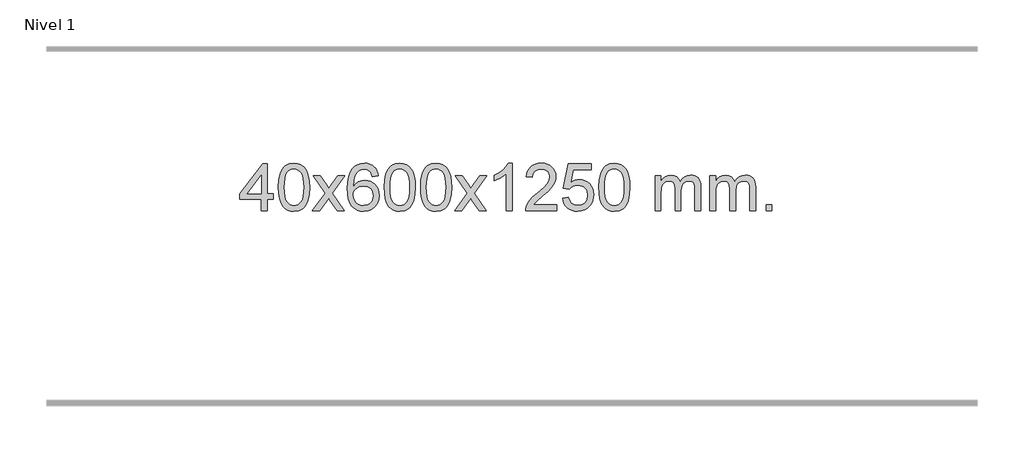
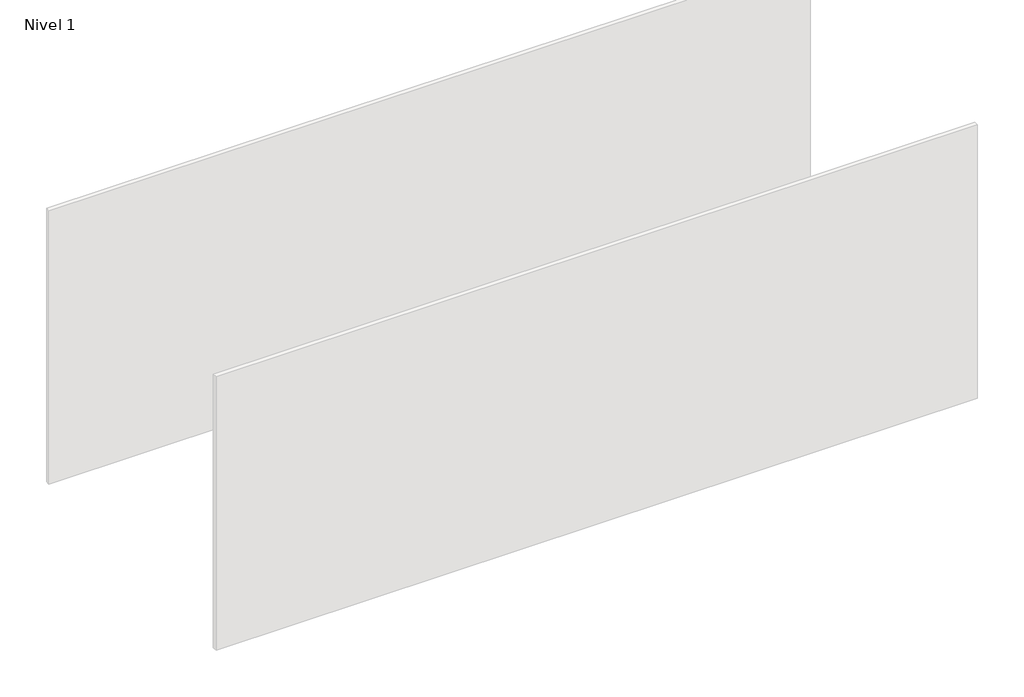
# One storey, part 6 of 6: 1 proxy.
"""IFC4 building model written with IfcOpenShell, lengths in millimetres."""

import ifcopenshell
import ifcopenshell.guid

model = None  # the IFC model being written
_history = None  # IfcOwnerHistory: only IFC2X3 demands one
_inside = {}  # id of a spatial element -> (the spatial element, [elements in it])
_under = {}  # id of a project, library or spatial element -> (it, [spatial elements below it])
_declared = {}  # id of a project -> (the project, [libraries it declares])
_typed = {}  # id of a type object -> (the type object, [elements of that type])
_made_of = {}  # id of a material, layer set ... -> (it, [elements and type objects made of it])


def new_model(schema):
    """Start an empty IFC model of exactly this schema.

    Asked for "IFC4X3", IfcOpenShell would pick the latest addendum, in which some entities
    have other attributes; the version numbers below select the first issue.
    IFC2X3 requires an IfcOwnerHistory on every rooted entity: one is made here for all.
    """
    global model, _history
    if schema == "IFC4X3":
        model = ifcopenshell.file(schema_version=(4, 3, 0, 0))
    else:
        model = ifcopenshell.file(schema=schema)
    _inside.clear()
    _under.clear()
    _declared.clear()
    _typed.clear()
    _made_of.clear()
    _history = None
    if model.schema == "IFC2X3":
        org = make("IfcOrganization", Name="unknown")
        user = make(
            "IfcPersonAndOrganization",
            ThePerson=make("IfcPerson", FamilyName="unknown"),
            TheOrganization=org,
        )
        app = make(
            "IfcApplication",
            ApplicationDeveloper=org,
            Version="unknown",
            ApplicationFullName="unknown",
            ApplicationIdentifier="unknown",
        )
        _history = make(
            "IfcOwnerHistory",
            OwningUser=user,
            OwningApplication=app,
            ChangeAction="ADDED",
            CreationDate=0,
        )
    return model


def make(cls, **values):
    """One entity of the class cls with the attributes given. An attribute that is None is left unset."""
    return model.create_entity(
        cls, **{name: value for name, value in values.items() if value is not None}
    )


def rooted(cls, **values):
    """An entity with a GlobalId (a new one), such as an element, a storey or a relation."""
    return make(cls, GlobalId=ifcopenshell.guid.new(), OwnerHistory=_history, **values)


def si_unit(unit_type, name, prefix=None):
    """IfcSIUnit, for example si_unit("LENGTHUNIT", "METRE", prefix="MILLI")."""
    return make("IfcSIUnit", UnitType=unit_type, Prefix=prefix, Name=name)


def assignment(units):
    """IfcUnitAssignment: the units of a project."""
    return None if units is None else make("IfcUnitAssignment", Units=units)


def point(xyz):
    """IfcCartesianPoint."""
    return None if xyz is None else make("IfcCartesianPoint", Coordinates=xyz)


def direction(xyz):
    """IfcDirection."""
    return None if xyz is None else make("IfcDirection", DirectionRatios=xyz)


def frame(location, z_axis=None, x_axis=None):
    """IfcAxis2Placement3D, a coordinate frame: its origin and axes. An axis left out is left unset."""
    return make(
        "IfcAxis2Placement3D",
        Location=point(location),
        Axis=direction(z_axis),
        RefDirection=direction(x_axis),
    )


def origin():
    """The frame at (0, 0, 0) with its axes left unset."""
    return frame((0.0, 0.0, 0.0))


def origin_with_axes():
    """The frame at (0, 0, 0) with the z axis (0, 0, 1) and the x axis (1, 0, 0) written out."""
    return frame((0.0, 0.0, 0.0), z_axis=(0.0, 0.0, 1.0), x_axis=(1.0, 0.0, 0.0))


def place(relative_to, where):
    """IfcLocalPlacement: puts the frame where relative to a parent placement (None: the world)."""
    return make(
        "IfcLocalPlacement", PlacementRelTo=relative_to, RelativePlacement=where
    )


def context(
    kind, dimensions, precision=None, world=None, true_north=None, identifier=None
):
    """IfcGeometricRepresentationContext, for example the 3D "Model" context."""
    return make(
        "IfcGeometricRepresentationContext",
        ContextIdentifier=identifier,
        ContextType=kind,
        CoordinateSpaceDimension=dimensions,
        Precision=precision,
        WorldCoordinateSystem=world,
        TrueNorth=true_north,
    )


def project(units=None, contexts=None):
    """IfcProject with its units and contexts."""
    return rooted(
        "IfcProject",
        Name="project",
        RepresentationContexts=contexts,
        UnitsInContext=assignment(units),
    )


def spatial(cls, under=None, at=None, **own):
    """A site, building, storey or space (cls), placed at a placement, below another one or the project."""
    s = rooted(cls, ObjectPlacement=at, **own)
    if under is not None:
        _under.setdefault(under.id(), (under, []))[1].append(s)
    return s


def polyline(points):
    """IfcPolyline through the points."""
    return make("IfcPolyline", Points=[point(p) for p in points])


def outline(outer, holes=None, kind="AREA"):
    """IfcArbitraryClosedProfileDef: a profile drawn as a closed curve; with holes, ...WithVoids."""
    if holes is None:
        return make("IfcArbitraryClosedProfileDef", ProfileType=kind, OuterCurve=outer)
    return make(
        "IfcArbitraryProfileDefWithVoids",
        ProfileType=kind,
        OuterCurve=outer,
        InnerCurves=holes,
    )


def extrude(swept, where, along, depth):
    """IfcExtrudedAreaSolid: the profile swept, set in the frame where, extruded along a direction by depth."""
    return make(
        "IfcExtrudedAreaSolid",
        SweptArea=swept,
        Position=where,
        ExtrudedDirection=direction(along),
        Depth=depth,
    )


def shape(context_of_items, identifier, shape_type, items):
    """IfcShapeRepresentation: the items that make up one representation, for example the "Body"."""
    return make(
        "IfcShapeRepresentation",
        ContextOfItems=context_of_items,
        RepresentationIdentifier=identifier,
        RepresentationType=shape_type,
        Items=items,
    )


def made_of(thing, what):
    """Note that an element or type object is made of a material, layer set ...; save() writes the relation."""
    if what is not None:
        _made_of.setdefault(what.id(), (what, []))[1].append(thing)
    return thing


def element(
    cls,
    number,
    at=None,
    inside=None,
    cuts=None,
    type_object=None,
    material=None,
    context=None,
    identifier="Body",
    shape_type=None,
    held_by="IfcProductDefinitionShape",
    body=None,
    shapes=None,
    **own,
):
    """One element of the class cls, such as IfcWall. Its Tag is "e" and its number.

    at: its placement. inside: the storey or other place that contains it. cuts: it is an
    opening in that element (IfcRelVoidsElement). A single representation is given by context,
    identifier, shape_type and body (its items); several are given by shapes. held_by: the class
    of the entity that holds the representations. save() writes the other relations.
    """
    e = rooted(cls, Tag="e%d" % number, ObjectPlacement=at, **own)
    if body is not None:
        shapes = [shape(context, identifier, shape_type, body)]
    if shapes is not None:
        e.Representation = make(held_by, Representations=shapes)
    if inside is not None:
        _inside.setdefault(inside.id(), (inside, []))[1].append(e)
    if cuts is not None:
        rooted(
            "IfcRelVoidsElement", RelatingBuildingElement=cuts, RelatedOpeningElement=e
        )
    if type_object is not None:
        _typed.setdefault(type_object.id(), (type_object, []))[1].append(e)
    return made_of(e, material)


def aggregate(whole, parts):
    """IfcRelAggregates: a whole, such as a stair, and the parts it consists of."""
    return rooted("IfcRelAggregates", RelatingObject=whole, RelatedObjects=parts)


def save(model, path):
    """Write the relations noted so far, then the file.

    IfcRelAggregates (storeys below a building ...), IfcRelContainedInSpatialStructure (elements
    in a storey), IfcRelDefinesByType, IfcRelAssociatesMaterial and IfcRelDeclares: one each for
    every whole, place, type object, material and project.
    """
    for whole, parts in _under.values():
        aggregate(whole, parts)
    for where, things in _inside.values():
        rooted(
            "IfcRelContainedInSpatialStructure",
            RelatedElements=things,
            RelatingStructure=where,
        )
    for kind, things in _typed.values():
        rooted("IfcRelDefinesByType", RelatedObjects=things, RelatingType=kind)
    for what, things in _made_of.values():
        rooted("IfcRelAssociatesMaterial", RelatedObjects=things, RelatingMaterial=what)
    for by, libraries in _declared.values():
        rooted("IfcRelDeclares", RelatingContext=by, RelatedDefinitions=libraries)
    model.write(path)


model = new_model("IFC4")

# Units and contexts
model_context = context("Model", 3, world=origin())
ifc_project = project(units=[si_unit("LENGTHUNIT", "METRE", prefix="MILLI")], contexts=[model_context])

# Site, building, storey
site = spatial("IfcSite", under=ifc_project)
building = spatial("IfcBuilding", under=site)
storey = spatial("IfcBuildingStorey", under=building, Name="Nivel 1", Elevation=0.0)

# Proxy
placement = place(None, origin())
element("IfcBuildingElementProxy", 1, Name="Texto de modelo 1", ObjectType="Texto de modelo 1", at=placement, inside=storey, context=model_context, shape_type="SweptSolid", body=[
    extrude(outline(polyline([(-4707.6020619, 2608.420547), (-4707.6020619, 2702.5983378), (-4889.6791241, 2702.5983378), (-4889.6791241, 2752.8264928), (-4695.0450232, 3003.9672682), (-4657.3739068, 3003.9672682), (-4657.3739068, 2752.8264928), (-4607.1457518, 2752.8264928), (-4607.1457518, 2702.5983378), (-4657.3739068, 2702.5983378), (-4657.3739068, 2608.420547), (-4707.6020619, 2608.420547)]), holes=[polyline([(-4707.6020619, 2752.8264928), (-4707.6020619, 2908.0236439), (-4827.8749489, 2752.8264928), (-4707.6020619, 2752.8264928)])]), origin_with_axes(), (0.0, 0.0, 1.0), 10.0),
    extrude(outline(polyline([(-4563.1961161, 2806.0958057), (-4559.5050334, 2870.4138412), (-4548.4317853, 2921.7088541), (-4530.0867365, 2960.7656593), (-4518.2286735, 2975.9990395), (-4504.5802515, 2988.3690716), (-4489.0954852, 2997.9401349), (-4471.7283893, 3004.7766086), (-4431.347209, 3010.2457876), (-4400.3960705, 3007.008426), (-4372.6822935, 2997.2963414), (-4349.5057278, 2981.4896783), (-4332.1662231, 2959.9685816), (-4319.0696241, 2932.9169922), (-4308.6217754, 2900.5188512), (-4301.7791703, 2859.3773814), (-4299.4983019, 2806.0958057), (-4303.1525964, 2742.1456523), (-4314.1154799, 2690.9732667), (-4332.3501641, 2651.8796734), (-4344.1806359, 2636.6003078), (-4357.8198609, 2624.1658964), (-4373.3230213, 2614.5304538), (-4390.7452995, 2607.6479948), (-4431.347209, 2602.1420276), (-4459.011935, 2604.5332606), (-4483.5374014, 2611.7069595), (-4504.923608, 2623.6631243), (-4523.170555, 2640.4017551), (-4540.681738, 2670.6600492), (-4553.1897258, 2708.3618224), (-4560.6945185, 2753.5070745), (-4563.1961161, 2806.0958057)]), holes=[polyline([(-4512.967961, 2806.1939076), (-4511.496433, 2762.5293805), (-4507.0818491, 2727.1851178), (-4499.7242092, 2700.1611196), (-4489.4235133, 2681.4573858), (-4476.9645764, 2668.7317344), (-4463.1322134, 2659.6419835), (-4447.9264243, 2654.1881329), (-4431.347209, 2652.3701827), (-4414.7679938, 2654.1942643), (-4399.5622046, 2659.6665089), (-4385.7298416, 2668.7869167), (-4373.2709047, 2681.5554876), (-4362.9702088, 2700.2898783), (-4355.6125689, 2727.3077451), (-4351.197985, 2762.6090882), (-4349.726457, 2806.1939076), (-4351.1489341, 2848.7026722), (-4355.4163652, 2883.4246011), (-4362.5287504, 2910.3596945), (-4372.4860898, 2929.5079524), (-4384.7365602, 2942.8559375), (-4398.7283388, 2952.3902125), (-4414.4614254, 2958.1107775), (-4431.9358202, 2960.0176325), (-4448.4291963, 2958.3376381), (-4463.3774681, 2953.2976548), (-4476.7806354, 2944.8976825), (-4488.6386984, 2933.1377214), (-4499.2827508, 2912.291075), (-4506.8856454, 2884.1848906), (-4511.4473821, 2848.8191681), (-4512.967961, 2806.1939076)])]), origin_with_axes(), (0.0, 0.0, 1.0), 10.0),
    extrude(outline(polyline([(-4274.3842244, 2608.420547), (-4167.0607837, 2756.7505675), (-4268.105705, 2903.5109581), (-4207.6749559, 2903.5109581), (-4158.9183288, 2832.877615), (-4136.1586961, 2799.5229808), (-4116.4402211, 2826.7952993), (-4060.9145653, 2903.5109581), (-4000.4838163, 2903.5109581), (-4106.6300346, 2756.7505675), (-4004.4078909, 2608.420547), (-4064.8386399, 2608.420547), (-4126.3485095, 2697.5951426), (-4137.6302241, 2713.8800523), (-4213.9534753, 2608.420547), (-4274.3842244, 2608.420547)])), origin_with_axes(), (0.0, 0.0, 1.0), 10.0),
    extrude(outline(polyline([(-3715.5959992, 2903.5109581), (-3765.8241543, 2897.2324387), (-3773.9175582, 2922.125787), (-3784.8559162, 2939.1219352), (-3807.6400744, 2954.7937082), (-3835.1821731, 2960.0176325), (-3858.5304171, 2956.9764747), (-3880.5052349, 2947.8530012), (-3899.3775813, 2928.6372983), (-3914.7918368, 2902.1865829), (-3925.2028973, 2864.772984), (-3929.0656583, 2812.6686307), (-3908.9179877, 2836.1762902), (-3884.772666, 2852.7432427), (-3857.9785941, 2862.565692), (-3829.8846724, 2865.8398418), (-3805.7516135, 2863.601893), (-3783.48249, 2856.8880466), (-3763.077302, 2845.6983025), (-3744.5360495, 2830.0326609), (-3729.1279252, 2810.8230894), (-3718.1221222, 2789.0015557), (-3711.5186404, 2764.5680599), (-3709.3174798, 2737.5226018), (-3713.4622836, 2701.5560055), (-3725.8966951, 2668.213634), (-3745.5906445, 2639.9357713), (-3771.5140625, 2619.1627013), (-3802.4897265, 2606.397196), (-3837.3404141, 2602.1420276), (-3867.2829429, 2604.9624563), (-3894.3253352, 2613.4237421), (-3918.4675911, 2627.5258853), (-3939.7097107, 2647.2688857), (-3957.0277556, 2673.4866092), (-3969.3977877, 2707.0129217), (-3976.8198069, 2747.8478232), (-3979.2938133, 2795.9913136), (-3976.5469611, 2849.9657337), (-3968.3064044, 2896.0306908), (-3954.5721433, 2934.1861851), (-3935.3441776, 2964.4322165), (-3914.5036626, 2984.4756538), (-3890.3399469, 2998.7923948), (-3862.8530305, 3007.3824394), (-3832.0429134, 3010.2457876), (-3808.9092673, 3008.4738227), (-3787.9706504, 3003.1579278), (-3769.2270627, 2994.2981031), (-3752.6785043, 2981.8943485), (-3738.7725649, 2966.3635969), (-3727.9568342, 2948.1227814), (-3720.2313123, 2927.1719017), (-3715.5959992, 2903.5109581)]), holes=[polyline([(-3929.0656583, 2738.3074168), (-3926.1593905, 2716.0505561), (-3917.4405872, 2694.7992395), (-3903.9025298, 2676.527767), (-3886.5384996, 2663.2104388), (-3865.5814886, 2655.0802467), (-3841.2644887, 2652.3701827), (-3808.118321, 2657.9865145), (-3794.2031845, 2665.0069292), (-3782.060013, 2674.8355099), (-3772.2099726, 2687.0737176), (-3765.1742294, 2701.3230135), (-3759.5456349, 2735.8548701), (-3765.100653, 2769.0010379), (-3772.0444257, 2782.6218688), (-3781.7657074, 2794.274531), (-3793.9456671, 2803.6095366), (-3808.2654738, 2810.2773978), (-3843.3246279, 2815.6116867), (-3876.4217448, 2810.2773978), (-3904.0987335, 2794.274531), (-3915.0217631, 2782.7751529), (-3922.8239271, 2769.6141746), (-3927.5052255, 2754.7915958), (-3929.0656583, 2738.3074168)])]), origin_with_axes(), (0.0, 0.0, 1.0), 10.0),
    extrude(outline(polyline([(-3665.3678441, 2806.0958057), (-3661.6767614, 2870.4138412), (-3650.6035134, 2921.7088541), (-3632.2584646, 2960.7656593), (-3620.4004016, 2975.9990395), (-3606.7519796, 2988.3690716), (-3591.2672132, 2997.9401349), (-3573.9001174, 3004.7766086), (-3533.518937, 3010.2457876), (-3502.5677985, 3007.008426), (-3474.8540216, 2997.2963414), (-3451.6774559, 2981.4896783), (-3434.3379511, 2959.9685816), (-3421.2413521, 2932.9169922), (-3410.7935035, 2900.5188512), (-3403.9508983, 2859.3773814), (-3401.67003, 2806.0958057), (-3405.3243245, 2742.1456523), (-3416.2872079, 2690.9732667), (-3434.5218921, 2651.8796734), (-3446.352364, 2636.6003078), (-3459.9915889, 2624.1658964), (-3475.4947494, 2614.5304538), (-3492.9170275, 2607.6479948), (-3533.518937, 2602.1420276), (-3561.1836631, 2604.5332606), (-3585.7091294, 2611.7069595), (-3607.0953361, 2623.6631243), (-3625.342283, 2640.4017551), (-3642.853466, 2670.6600492), (-3655.3614539, 2708.3618224), (-3662.8662466, 2753.5070745), (-3665.3678441, 2806.0958057)]), holes=[polyline([(-3615.139689, 2806.1939076), (-3613.6681611, 2762.5293805), (-3609.2535771, 2727.1851178), (-3601.8959372, 2700.1611196), (-3591.5952414, 2681.4573858), (-3579.1363044, 2668.7317344), (-3565.3039414, 2659.6419835), (-3550.0981523, 2654.1881329), (-3533.518937, 2652.3701827), (-3516.9397218, 2654.1942643), (-3501.7339327, 2659.6665089), (-3487.9015696, 2668.7869167), (-3475.4426327, 2681.5554876), (-3465.1419369, 2700.2898783), (-3457.784297, 2727.3077451), (-3453.369713, 2762.6090882), (-3451.8981851, 2806.1939076), (-3453.3206621, 2848.7026722), (-3457.5880932, 2883.4246011), (-3464.7004785, 2910.3596945), (-3474.6578178, 2929.5079524), (-3486.9082883, 2942.8559375), (-3500.9000668, 2952.3902125), (-3516.6331535, 2958.1107775), (-3534.1075482, 2960.0176325), (-3550.6009244, 2958.3376381), (-3565.5491961, 2953.2976548), (-3578.9523635, 2944.8976825), (-3590.8104264, 2933.1377214), (-3601.4544788, 2912.291075), (-3609.0573734, 2884.1848906), (-3613.6191101, 2848.8191681), (-3615.139689, 2806.1939076)])]), origin_with_axes(), (0.0, 0.0, 1.0), 10.0),
    extrude(outline(polyline([(-3357.7203943, 2806.0958057), (-3354.0293116, 2870.4138412), (-3342.9560635, 2921.7088541), (-3324.6110147, 2960.7656593), (-3312.7529517, 2975.9990395), (-3299.1045297, 2988.3690716), (-3283.6197634, 2997.9401349), (-3266.2526676, 3004.7766086), (-3225.8714872, 3010.2457876), (-3194.9203487, 3007.008426), (-3167.2065717, 2997.2963414), (-3144.030006, 2981.4896783), (-3126.6905013, 2959.9685816), (-3113.5939023, 2932.9169922), (-3103.1460536, 2900.5188512), (-3096.3034485, 2859.3773814), (-3094.0225801, 2806.0958057), (-3097.6768746, 2742.1456523), (-3108.6397581, 2690.9732667), (-3126.8744423, 2651.8796734), (-3138.7049141, 2636.6003078), (-3152.3441391, 2624.1658964), (-3167.8472995, 2614.5304538), (-3185.2695777, 2607.6479948), (-3225.8714872, 2602.1420276), (-3253.5362133, 2604.5332606), (-3278.0616796, 2611.7069595), (-3299.4478862, 2623.6631243), (-3317.6948332, 2640.4017551), (-3335.2060162, 2670.6600492), (-3347.714004, 2708.3618224), (-3355.2187967, 2753.5070745), (-3357.7203943, 2806.0958057)]), holes=[polyline([(-3307.4922392, 2806.1939076), (-3306.0207112, 2762.5293805), (-3301.6061273, 2727.1851178), (-3294.2484874, 2700.1611196), (-3283.9477915, 2681.4573858), (-3271.4888546, 2668.7317344), (-3257.6564916, 2659.6419835), (-3242.4507025, 2654.1881329), (-3225.8714872, 2652.3701827), (-3209.292272, 2654.1942643), (-3194.0864828, 2659.6665089), (-3180.2541198, 2668.7869167), (-3167.7951829, 2681.5554876), (-3157.494487, 2700.2898783), (-3150.1368471, 2727.3077451), (-3145.7222632, 2762.6090882), (-3144.2507352, 2806.1939076), (-3145.6732123, 2848.7026722), (-3149.9406434, 2883.4246011), (-3157.0530287, 2910.3596945), (-3167.010368, 2929.5079524), (-3179.2608384, 2942.8559375), (-3193.252617, 2952.3902125), (-3208.9857036, 2958.1107775), (-3226.4600984, 2960.0176325), (-3242.9534745, 2958.3376381), (-3257.9017463, 2953.2976548), (-3271.3049136, 2944.8976825), (-3283.1629766, 2933.1377214), (-3293.807029, 2912.291075), (-3301.4099236, 2884.1848906), (-3305.9716603, 2848.8191681), (-3307.4922392, 2806.1939076)])]), origin_with_axes(), (0.0, 0.0, 1.0), 10.0),
    extrude(outline(polyline([(-3068.9085026, 2608.420547), (-2961.5850619, 2756.7505675), (-3062.6299832, 2903.5109581), (-3002.1992341, 2903.5109581), (-2953.4426071, 2832.877615), (-2930.6829743, 2799.5229808), (-2910.9644993, 2826.7952993), (-2855.4388435, 2903.5109581), (-2795.0080945, 2903.5109581), (-2901.1543128, 2756.7505675), (-2798.9321691, 2608.420547), (-2859.3629182, 2608.420547), (-2920.8727877, 2697.5951426), (-2932.1545023, 2713.8800523), (-3008.4777535, 2608.420547), (-3068.9085026, 2608.420547)])), origin_with_axes(), (0.0, 0.0, 1.0), 10.0),
    extrude(outline(polyline([(-2579.1839906, 2608.420547), (-2629.4121457, 2608.420547), (-2629.4121457, 2921.5617013), (-2650.3814194, 2904.6023413), (-2676.9915504, 2887.6675068), (-2729.8684559, 2862.3081746), (-2729.8684559, 2909.7894775), (-2690.4192432, 2931.2492605), (-2656.2430059, 2956.780271), (-2629.3017811, 2983.9299622), (-2611.5576062, 3010.2457876), (-2579.1839906, 3010.2457876), (-2579.1839906, 2608.420547)])), origin_with_axes(), (0.0, 0.0, 1.0), 10.0),
    extrude(outline(polyline([(-2202.4728276, 2658.6487021), (-2202.4728276, 2608.420547), (-2466.1706417, 2608.420547), (-2465.0669957, 2626.1034082), (-2460.7750391, 2643.0505055), (-2448.3896786, 2670.1143576), (-2430.265359, 2696.3688693), (-2404.0476355, 2723.8496544), (-2367.3820633, 2754.5923264), (-2313.1807826, 2802.7358169), (-2280.6600143, 2838.2732176), (-2264.3996301, 2867.115166), (-2258.979502, 2895.1722995), (-2264.0930618, 2920.3231653), (-2279.433741, 2941.2311253), (-2303.0149768, 2955.3210057), (-2332.8502067, 2960.0176325), (-2364.1814899, 2955.4313703), (-2388.5230153, 2941.6725837), (-2404.2315765, 2919.8203932), (-2409.6639672, 2890.9539193), (-2459.8921223, 2897.2324387), (-2455.5725746, 2923.161988), (-2447.7152283, 2945.8173875), (-2436.3200835, 2965.1986373), (-2421.3871402, 2981.3057373), (-2403.2597548, 2993.9670093), (-2382.2812841, 3003.010775), (-2358.4517278, 3008.4370345), (-2331.7710861, 3010.2457876), (-2304.8513211, 3008.2346994), (-2280.8930062, 3002.2014346), (-2259.8961413, 2992.1459934), (-2241.8607265, 2978.0683758), (-2227.375373, 2961.0109139), (-2217.0286918, 2942.0159402), (-2210.8206832, 2921.0834547), (-2208.7513469, 2898.2134573), (-2210.9831644, 2874.1907631), (-2217.6786167, 2850.5850017), (-2229.5612051, 2826.5745701), (-2247.354431, 2801.3378653), (-2275.7181328, 2771.2083299), (-2319.3121492, 2732.5194067), (-2377.0941479, 2684.204238), (-2399.7556788, 2658.6487021), (-2202.4728276, 2658.6487021)])), origin_with_axes(), (0.0, 0.0, 1.0), 10.0),
    extrude(outline(polyline([(-2152.2446725, 2715.1553765), (-2102.0165174, 2721.4338959), (-2092.7949421, 2691.2798351), (-2076.7062361, 2669.6851619), (-2053.823976, 2656.6989275), (-2024.2217382, 2652.3701827), (-2005.0918744, 2653.8754332), (-1988.2183536, 2658.3911847), (-1973.6011756, 2665.9174372), (-1961.2403406, 2676.4541906), (-1951.41176, 2689.480279), (-1944.3913452, 2704.4745359), (-1938.7750134, 2740.3675559), (-1944.035726, 2774.1636486), (-1950.6116166, 2788.0818507), (-1959.8178635, 2800.0134901), (-1971.6851236, 2809.5845533), (-1986.2440535, 2816.4210271), (-2023.4369232, 2821.8902061), (-2047.8029741, 2819.7074396), (-2067.5337117, 2813.1591401), (-2083.2913239, 2803.1282243), (-2095.737998, 2790.4976092), (-2145.9661531, 2796.7761285), (-2102.0165174, 3003.9672682), (-1907.3824165, 3003.9672682), (-1907.3824165, 2953.7391131), (-2061.4023451, 2953.7391131), (-2082.8866537, 2843.080209), (-2065.1608729, 2855.7844006), (-2047.0058964, 2864.8588231), (-2028.4217243, 2870.3034766), (-2009.4083565, 2872.1183612), (-1984.9472695, 2869.8681496), (-1962.4788766, 2863.117515), (-1942.0031779, 2851.8664573), (-1923.5201734, 2836.1149766), (-1908.219348, 2816.8256973), (-1897.2901871, 2794.961244), (-1890.7326905, 2770.5216168), (-1888.5468583, 2743.5068156), (-1890.515027, 2717.4852958), (-1896.419533, 2693.2786606), (-1906.2603764, 2670.8869098), (-1920.0375571, 2650.3100435), (-1940.908729, 2629.2365366), (-1965.2625171, 2614.1840316), (-1993.0989214, 2605.1525286), (-2024.4179419, 2602.1420276), (-2050.3382941, 2604.0764738), (-2073.7509175, 2609.8798123), (-2094.6558118, 2619.552043), (-2113.0529773, 2633.0931662), (-2128.359934, 2649.8287312), (-2139.9942021, 2669.084288), (-2147.9557816, 2690.8598364), (-2152.2446725, 2715.1553765)])), origin_with_axes(), (0.0, 0.0, 1.0), 10.0),
    extrude(outline(polyline([(-1844.5972227, 2806.0958057), (-1840.90614, 2870.4138412), (-1829.8328919, 2921.7088541), (-1811.4878431, 2960.7656593), (-1799.6297801, 2975.9990395), (-1785.9813581, 2988.3690716), (-1770.4965918, 2997.9401349), (-1753.1294959, 3004.7766086), (-1712.7483156, 3010.2457876), (-1681.7971771, 3007.008426), (-1654.0834001, 2997.2963414), (-1630.9068344, 2981.4896783), (-1613.5673297, 2959.9685816), (-1600.4707307, 2932.9169922), (-1590.022882, 2900.5188512), (-1583.1802769, 2859.3773814), (-1580.8994085, 2806.0958057), (-1584.553703, 2742.1456523), (-1595.5165865, 2690.9732667), (-1613.7512707, 2651.8796734), (-1625.5817425, 2636.6003078), (-1639.2209675, 2624.1658964), (-1654.7241279, 2614.5304538), (-1672.1464061, 2607.6479948), (-1712.7483156, 2602.1420276), (-1740.4130416, 2604.5332606), (-1764.938508, 2611.7069595), (-1786.3247146, 2623.6631243), (-1804.5716616, 2640.4017551), (-1822.0828446, 2670.6600492), (-1834.5908324, 2708.3618224), (-1842.0956251, 2753.5070745), (-1844.5972227, 2806.0958057)]), holes=[polyline([(-1794.3690676, 2806.1939076), (-1792.8975396, 2762.5293805), (-1788.4829557, 2727.1851178), (-1781.1253158, 2700.1611196), (-1770.8246199, 2681.4573858), (-1758.365683, 2668.7317344), (-1744.53332, 2659.6419835), (-1729.3275308, 2654.1881329), (-1712.7483156, 2652.3701827), (-1696.1691003, 2654.1942643), (-1680.9633112, 2659.6665089), (-1667.1309482, 2668.7869167), (-1654.6720113, 2681.5554876), (-1644.3713154, 2700.2898783), (-1637.0136755, 2727.3077451), (-1632.5990916, 2762.6090882), (-1631.1275636, 2806.1939076), (-1632.5500406, 2848.7026722), (-1636.8174718, 2883.4246011), (-1643.929857, 2910.3596945), (-1653.8871964, 2929.5079524), (-1666.1376668, 2942.8559375), (-1680.1294453, 2952.3902125), (-1695.862532, 2958.1107775), (-1713.3369268, 2960.0176325), (-1729.8303029, 2958.3376381), (-1744.7785746, 2953.2976548), (-1758.181742, 2944.8976825), (-1770.039805, 2933.1377214), (-1780.6838574, 2912.291075), (-1788.2867519, 2884.1848906), (-1792.8484887, 2848.8191681), (-1794.3690676, 2806.1939076)])]), origin_with_axes(), (0.0, 0.0, 1.0), 10.0),
    extrude(outline(polyline([(-1367.4297494, 2608.420547), (-1367.4297494, 2903.5109581), (-1317.2015944, 2903.5109581), (-1317.2015944, 2854.9505347), (-1302.0939071, 2877.2564463), (-1282.6697378, 2894.7308411), (-1259.5912739, 2906.0248184), (-1233.5207032, 2909.7894775), (-1205.586197, 2905.951242), (-1183.1944463, 2894.4365355), (-1166.4680782, 2876.0056476), (-1155.5297202, 2851.4188676), (-1137.2214596, 2876.9560094), (-1116.338025, 2895.196825), (-1092.8794164, 2906.1413143), (-1066.8456339, 2909.7894775), (-1046.7378172, 2908.2719642), (-1029.0886785, 2903.7194245), (-1013.8982178, 2896.1318584), (-1001.166435, 2885.5092658), (-991.1017968, 2871.7290194), (-983.9127695, 2854.6684918), (-979.5993531, 2834.3276832), (-978.1615476, 2810.7065934), (-978.1615476, 2608.420547), (-1028.3897027, 2608.420547), (-1028.3897027, 2789.124183), (-1029.5546623, 2814.1769469), (-1033.0495413, 2831.0627305), (-1039.5978408, 2842.6264879), (-1049.9230621, 2851.7131732), (-1063.2036022, 2857.5992851), (-1078.6178578, 2859.5613224), (-1105.8288627, 2854.5336018), (-1128.012147, 2839.45044), (-1136.61752, 2827.8805512), (-1142.764215, 2813.2817674), (-1147.681571, 2774.9975144), (-1147.681571, 2608.420547), (-1197.9097261, 2608.420547), (-1197.9097261, 2794.7159894), (-1200.8159938, 2823.1164794), (-1209.5347971, 2843.3745146), (-1224.8754763, 2855.5146204), (-1247.6473718, 2859.5613224), (-1266.9979648, 2856.8635211), (-1284.8279788, 2848.7701172), (-1299.5432586, 2835.4773144), (-1309.5496489, 2817.1813165), (-1315.288608, 2791.7974589), (-1317.2015944, 2757.2410768), (-1317.2015944, 2608.420547), (-1367.4297494, 2608.420547)])), origin_with_axes(), (0.0, 0.0, 1.0), 10.0),
    extrude(outline(polyline([(-902.819315, 2608.420547), (-902.819315, 2903.5109581), (-852.5911599, 2903.5109581), (-852.5911599, 2854.9505347), (-837.4834727, 2877.2564463), (-818.0593033, 2894.7308411), (-794.9808395, 2906.0248184), (-768.9102688, 2909.7894775), (-740.9757626, 2905.951242), (-718.5840118, 2894.4365355), (-701.8576438, 2876.0056476), (-690.9192858, 2851.4188676), (-672.6110252, 2876.9560094), (-651.7275906, 2895.196825), (-628.268982, 2906.1413143), (-602.2351995, 2909.7894775), (-582.1273828, 2908.2719642), (-564.478244, 2903.7194245), (-549.2877833, 2896.1318584), (-536.5560006, 2885.5092658), (-526.4913624, 2871.7290194), (-519.302335, 2854.6684918), (-514.9889186, 2834.3276832), (-513.5511132, 2810.7065934), (-513.5511132, 2608.420547), (-563.7792682, 2608.420547), (-563.7792682, 2789.124183), (-564.9442279, 2814.1769469), (-568.4391069, 2831.0627305), (-574.9874064, 2842.6264879), (-585.3126277, 2851.7131732), (-598.5931677, 2857.5992851), (-614.0074233, 2859.5613224), (-641.2184282, 2854.5336018), (-663.4017125, 2839.45044), (-672.0070855, 2827.8805512), (-678.1537806, 2813.2817674), (-683.0711366, 2774.9975144), (-683.0711366, 2608.420547), (-733.2992916, 2608.420547), (-733.2992916, 2794.7159894), (-736.2055594, 2823.1164794), (-744.9243627, 2843.3745146), (-760.2650419, 2855.5146204), (-783.0369374, 2859.5613224), (-802.3875303, 2856.8635211), (-820.2175444, 2848.7701172), (-834.9328242, 2835.4773144), (-844.9392144, 2817.1813165), (-850.6781736, 2791.7974589), (-852.5911599, 2757.2410768), (-852.5911599, 2608.420547), (-902.819315, 2608.420547)])), origin_with_axes(), (0.0, 0.0, 1.0), 10.0),
    extrude(outline(polyline([(-425.6518418, 2608.420547), (-425.6518418, 2658.6487021), (-375.4236867, 2658.6487021), (-375.4236867, 2608.420547), (-425.6518418, 2608.420547)])), origin_with_axes(), (0.0, 0.0, 1.0), 10.0),
])

save(model, "model.ifc")
